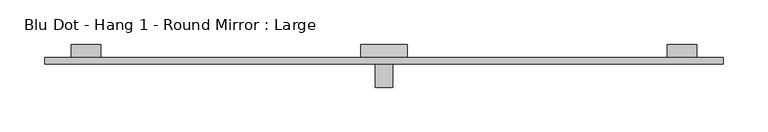
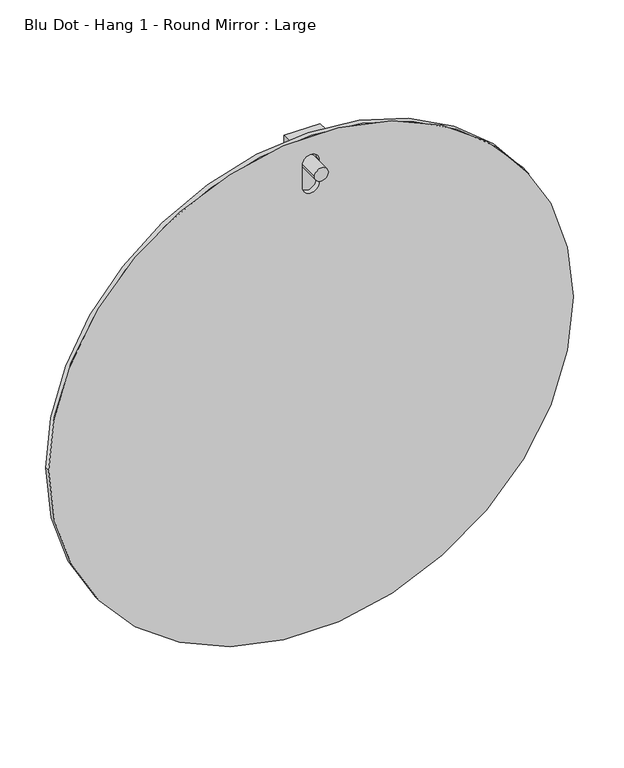
"""IFC4 building model written with IfcOpenShell, lengths in millimetres: furniture geometry, Blu Dot - Hang 1 - Round Mirror : Large."""

from ifc_helpers import new_model, si_unit, point, frame, frame_2d, origin, place, context, project, spatial, polyline, circle_curve, trimmed, segment, composite_curve, outline, extrude, source, transform, mapped, element, save


def blu_dot_hang_1_round_mirror_large_b0bf4c87(model_context):
    return source(origin(), model_context, "Body", "SweptSolid", [
        extrude(outline(composite_curve([segment(trimmed(circle_curve(frame_2d((805.6906514, 0.0)), 381.0), [point((805.6906514, -381.0))], [point((805.6906514, 381.0))], False, "CARTESIAN"), True, "CONTINUOUS"), segment(trimmed(circle_curve(frame_2d((805.6906514, 0.0)), 381.0), [point((805.6906514, 381.0))], [point((805.6906514, -381.0))], False, "CARTESIAN"), True, "CONTINUOUS")], self_intersect=False), holes=[composite_curve([segment(trimmed(circle_curve(frame_2d((1145.5417261, 0.0)), 12.0995826), [point((1145.5417261, -12.0995826))], [point((1145.5417261, 12.0995826))], True, "CARTESIAN"), True, "CONTINUOUS"), segment(polyline([(1145.5417261, 12.0995826), (1110.840821, 12.0995826)]), True, "CONTINUOUS"), segment(trimmed(circle_curve(frame_2d((1110.840821, 0.0)), 12.0995826), [point((1110.840821, 12.0995826))], [point((1110.840821, -12.0995826))], True, "CARTESIAN"), True, "CONTINUOUS"), segment(polyline([(1110.840821, -12.0995826), (1145.5417261, -12.0995826)]), True, "CONTINUOUS")], self_intersect=False)]), frame((0.0, -22.0883278, 0.0), z_axis=(0.0, 1.0, 0.0), x_axis=(0.0, 0.0, 1.0)), (0.0, 0.0, 1.0), 7.5025271),
        extrude(outline(composite_curve([segment(trimmed(circle_curve(frame_2d((1143.0, 0.0)), 10.0479583), [point((1143.0, -10.0479583))], [point((1143.0, 10.0479583))], False, "CARTESIAN"), True, "CONTINUOUS"), segment(trimmed(circle_curve(frame_2d((1143.0, 0.0)), 10.0479583), [point((1143.0, 10.0479583))], [point((1143.0, -10.0479583))], False, "CARTESIAN"), True, "CONTINUOUS")], self_intersect=False)), frame((0.0, -48.4284961, 0.0), z_axis=(0.0, 1.0, 0.0), x_axis=(0.0, 0.0, 1.0)), (0.0, 0.0, 1.0), 33.8426954),
        extrude(outline(composite_curve([segment(trimmed(circle_curve(frame_2d((823.5603729, -334.2918494)), 16.51), [point((823.5603729, -350.8018494))], [point((823.5603729, -317.7818494))], False, "CARTESIAN"), True, "CONTINUOUS"), segment(trimmed(circle_curve(frame_2d((823.5603729, -334.2918494)), 16.51), [point((823.5603729, -317.7818494))], [point((823.5603729, -350.8018494))], False, "CARTESIAN"), True, "CONTINUOUS")], self_intersect=False)), frame((0.0, -14.5858007, 0.0), z_axis=(0.0, 1.0, 0.0), x_axis=(0.0, 0.0, 1.0)), (0.0, 0.0, 1.0), 14.5858007),
        extrude(outline(composite_curve([segment(trimmed(circle_curve(frame_2d((823.5603729, 334.2918494)), 16.51), [point((823.5603729, 317.7818494))], [point((823.5603729, 350.8018494))], False, "CARTESIAN"), True, "CONTINUOUS"), segment(trimmed(circle_curve(frame_2d((823.5603729, 334.2918494)), 16.51), [point((823.5603729, 350.8018494))], [point((823.5603729, 317.7818494))], False, "CARTESIAN"), True, "CONTINUOUS")], self_intersect=False)), frame((0.0, -14.5858007, 0.0), z_axis=(0.0, 1.0, 0.0), x_axis=(0.0, 0.0, 1.0)), (0.0, 0.0, 1.0), 14.5858007),
        extrude(outline(composite_curve([segment(trimmed(circle_curve(frame_2d((490.3785509, 0.0)), 16.51), [point((490.3785509, -16.51))], [point((490.3785509, 16.51))], False, "CARTESIAN"), True, "CONTINUOUS"), segment(trimmed(circle_curve(frame_2d((490.3785509, 0.0)), 16.51), [point((490.3785509, 16.51))], [point((490.3785509, -16.51))], False, "CARTESIAN"), True, "CONTINUOUS")], self_intersect=False)), frame((0.0, -14.5858007, 0.0), z_axis=(0.0, 1.0, 0.0), x_axis=(0.0, 0.0, 1.0)), (0.0, 0.0, 1.0), 14.5858007),
        extrude(outline(polyline([(26.0241508, -14.5858007), (-26.0241508, -14.5858007), (-26.0241508, 0.0), (26.0241508, 0.0), (26.0241508, -14.5858007)])), frame((0.0, 0.0, 1091.9536736), z_axis=(0.0, 0.0, 1.0), x_axis=(1.0, 0.0, 0.0)), (0.0, 0.0, 1.0), 90.4984283),
    ])


if __name__ == "__main__":
    model = new_model("IFC4")
    model_context = context("Model", 3, world=origin())
    ifc_project = project(units=[si_unit("LENGTHUNIT", "METRE", prefix="MILLI")], contexts=[model_context])
    site = spatial("IfcSite", under=ifc_project)
    building = spatial("IfcBuilding", under=site)
    placement = place(None, origin())
    blu_dot_hang_1_round_mirror_large_shape = blu_dot_hang_1_round_mirror_large_b0bf4c87(model_context)
    element("IfcFurniture", 1, ObjectType="Blu Dot - Hang 1 - Round Mirror : Large", at=placement, inside=building, context=model_context, shape_type="MappedRepresentation", body=[
        mapped(blu_dot_hang_1_round_mirror_large_shape, transform((0.0, 0.0, 0.0), x_axis=(1.0, 0.0, 0.0), y_axis=(0.0, 1.0, 0.0), z_axis=(0.0, 0.0, 1.0))),
    ])
    save(model, "model.ifc")
